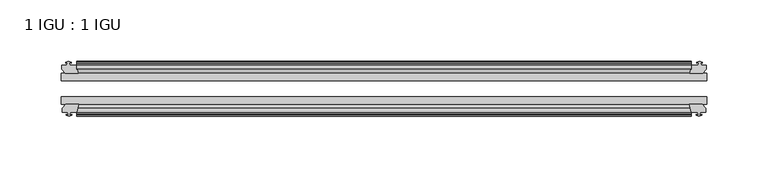
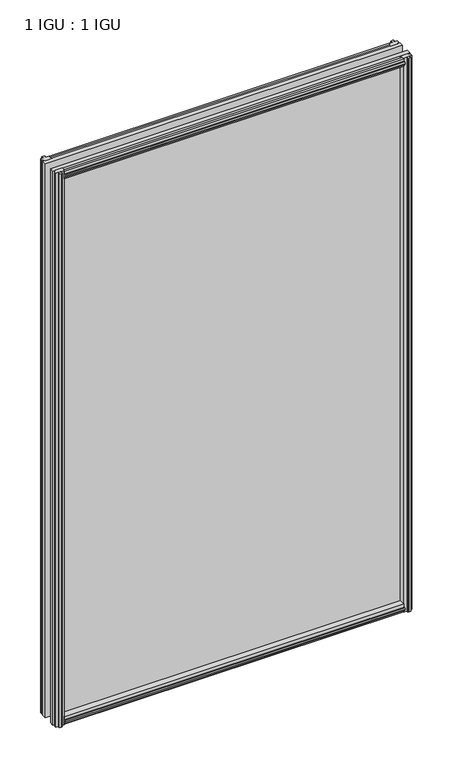
"""IFC4 building model written with IfcOpenShell, lengths in millimetres: plate geometry, 1 IGU : 1 IGU."""

import ifcopenshell
import ifcopenshell.guid

model = None  # the IFC model being written
_history = None  # IfcOwnerHistory: only IFC2X3 demands one
_inside = {}  # id of a spatial element -> (the spatial element, [elements in it])
_under = {}  # id of a project, library or spatial element -> (it, [spatial elements below it])
_declared = {}  # id of a project -> (the project, [libraries it declares])
_typed = {}  # id of a type object -> (the type object, [elements of that type])
_made_of = {}  # id of a material, layer set ... -> (it, [elements and type objects made of it])


def new_model(schema):
    """Start an empty IFC model of exactly this schema.

    Asked for "IFC4X3", IfcOpenShell would pick the latest addendum, in which some entities
    have other attributes; the version numbers below select the first issue.
    IFC2X3 requires an IfcOwnerHistory on every rooted entity: one is made here for all.
    """
    global model, _history
    if schema == "IFC4X3":
        model = ifcopenshell.file(schema_version=(4, 3, 0, 0))
    else:
        model = ifcopenshell.file(schema=schema)
    _inside.clear()
    _under.clear()
    _declared.clear()
    _typed.clear()
    _made_of.clear()
    _history = None
    if model.schema == "IFC2X3":
        org = make("IfcOrganization", Name="unknown")
        user = make(
            "IfcPersonAndOrganization",
            ThePerson=make("IfcPerson", FamilyName="unknown"),
            TheOrganization=org,
        )
        app = make(
            "IfcApplication",
            ApplicationDeveloper=org,
            Version="unknown",
            ApplicationFullName="unknown",
            ApplicationIdentifier="unknown",
        )
        _history = make(
            "IfcOwnerHistory",
            OwningUser=user,
            OwningApplication=app,
            ChangeAction="ADDED",
            CreationDate=0,
        )
    return model


def make(cls, **values):
    """One entity of the class cls with the attributes given. An attribute that is None is left unset."""
    return model.create_entity(
        cls, **{name: value for name, value in values.items() if value is not None}
    )


def rooted(cls, **values):
    """An entity with a GlobalId (a new one), such as an element, a storey or a relation."""
    return make(cls, GlobalId=ifcopenshell.guid.new(), OwnerHistory=_history, **values)


def si_unit(unit_type, name, prefix=None):
    """IfcSIUnit, for example si_unit("LENGTHUNIT", "METRE", prefix="MILLI")."""
    return make("IfcSIUnit", UnitType=unit_type, Prefix=prefix, Name=name)


def assignment(units):
    """IfcUnitAssignment: the units of a project."""
    return None if units is None else make("IfcUnitAssignment", Units=units)


def point(xyz):
    """IfcCartesianPoint."""
    return None if xyz is None else make("IfcCartesianPoint", Coordinates=xyz)


def direction(xyz):
    """IfcDirection."""
    return None if xyz is None else make("IfcDirection", DirectionRatios=xyz)


def frame(location, z_axis=None, x_axis=None):
    """IfcAxis2Placement3D, a coordinate frame: its origin and axes. An axis left out is left unset."""
    return make(
        "IfcAxis2Placement3D",
        Location=point(location),
        Axis=direction(z_axis),
        RefDirection=direction(x_axis),
    )


def origin():
    """The frame at (0, 0, 0) with its axes left unset."""
    return frame((0.0, 0.0, 0.0))


def place(relative_to, where):
    """IfcLocalPlacement: puts the frame where relative to a parent placement (None: the world)."""
    return make(
        "IfcLocalPlacement", PlacementRelTo=relative_to, RelativePlacement=where
    )


def context(
    kind, dimensions, precision=None, world=None, true_north=None, identifier=None
):
    """IfcGeometricRepresentationContext, for example the 3D "Model" context."""
    return make(
        "IfcGeometricRepresentationContext",
        ContextIdentifier=identifier,
        ContextType=kind,
        CoordinateSpaceDimension=dimensions,
        Precision=precision,
        WorldCoordinateSystem=world,
        TrueNorth=true_north,
    )


def project(units=None, contexts=None):
    """IfcProject with its units and contexts."""
    return rooted(
        "IfcProject",
        Name="project",
        RepresentationContexts=contexts,
        UnitsInContext=assignment(units),
    )


def spatial(cls, under=None, at=None, **own):
    """A site, building, storey or space (cls), placed at a placement, below another one or the project."""
    s = rooted(cls, ObjectPlacement=at, **own)
    if under is not None:
        _under.setdefault(under.id(), (under, []))[1].append(s)
    return s


def polyline(points):
    """IfcPolyline through the points."""
    return make("IfcPolyline", Points=[point(p) for p in points])


def outline(outer, holes=None, kind="AREA"):
    """IfcArbitraryClosedProfileDef: a profile drawn as a closed curve; with holes, ...WithVoids."""
    if holes is None:
        return make("IfcArbitraryClosedProfileDef", ProfileType=kind, OuterCurve=outer)
    return make(
        "IfcArbitraryProfileDefWithVoids",
        ProfileType=kind,
        OuterCurve=outer,
        InnerCurves=holes,
    )


def extrude(swept, where, along, depth):
    """IfcExtrudedAreaSolid: the profile swept, set in the frame where, extruded along a direction by depth."""
    return make(
        "IfcExtrudedAreaSolid",
        SweptArea=swept,
        Position=where,
        ExtrudedDirection=direction(along),
        Depth=depth,
    )


def shape(context_of_items, identifier, shape_type, items):
    """IfcShapeRepresentation: the items that make up one representation, for example the "Body"."""
    return make(
        "IfcShapeRepresentation",
        ContextOfItems=context_of_items,
        RepresentationIdentifier=identifier,
        RepresentationType=shape_type,
        Items=items,
    )


def source(mapping_origin, context_of_items, identifier, shape_type, items):
    """IfcRepresentationMap: a shape defined once, which mapped items show again and again."""
    return make(
        "IfcRepresentationMap",
        MappingOrigin=mapping_origin,
        MappedRepresentation=shape(context_of_items, identifier, shape_type, items),
    )


def transform(
    local_origin,
    x_axis=None,
    y_axis=None,
    z_axis=None,
    scale=None,
    scale2=None,
    scale3=None,
    uniform=True,
):
    """IfcCartesianTransformationOperator3D, or its non-uniform kind. x_axis, y_axis, z_axis: its Axis1, 2, 3."""
    if uniform:
        return make(
            "IfcCartesianTransformationOperator3D",
            Axis1=direction(x_axis),
            Axis2=direction(y_axis),
            LocalOrigin=point(local_origin),
            Scale=scale,
            Axis3=direction(z_axis),
        )
    return make(
        "IfcCartesianTransformationOperator3DnonUniform",
        Axis1=direction(x_axis),
        Axis2=direction(y_axis),
        LocalOrigin=point(local_origin),
        Scale=scale,
        Axis3=direction(z_axis),
        Scale2=scale2,
        Scale3=scale3,
    )


def mapped(mapping_source, mapping_target):
    """IfcMappedItem: shows the shape of a source again, moved by a transform."""
    return make(
        "IfcMappedItem", MappingSource=mapping_source, MappingTarget=mapping_target
    )


def made_of(thing, what):
    """Note that an element or type object is made of a material, layer set ...; save() writes the relation."""
    if what is not None:
        _made_of.setdefault(what.id(), (what, []))[1].append(thing)
    return thing


def element(
    cls,
    number,
    at=None,
    inside=None,
    cuts=None,
    type_object=None,
    material=None,
    context=None,
    identifier="Body",
    shape_type=None,
    held_by="IfcProductDefinitionShape",
    body=None,
    shapes=None,
    **own,
):
    """One element of the class cls, such as IfcWall. Its Tag is "e" and its number.

    at: its placement. inside: the storey or other place that contains it. cuts: it is an
    opening in that element (IfcRelVoidsElement). A single representation is given by context,
    identifier, shape_type and body (its items); several are given by shapes. held_by: the class
    of the entity that holds the representations. save() writes the other relations.
    """
    e = rooted(cls, Tag="e%d" % number, ObjectPlacement=at, **own)
    if body is not None:
        shapes = [shape(context, identifier, shape_type, body)]
    if shapes is not None:
        e.Representation = make(held_by, Representations=shapes)
    if inside is not None:
        _inside.setdefault(inside.id(), (inside, []))[1].append(e)
    if cuts is not None:
        rooted(
            "IfcRelVoidsElement", RelatingBuildingElement=cuts, RelatedOpeningElement=e
        )
    if type_object is not None:
        _typed.setdefault(type_object.id(), (type_object, []))[1].append(e)
    return made_of(e, material)


def aggregate(whole, parts):
    """IfcRelAggregates: a whole, such as a stair, and the parts it consists of."""
    return rooted("IfcRelAggregates", RelatingObject=whole, RelatedObjects=parts)


def save(model, path):
    """Write the relations noted so far, then the file.

    IfcRelAggregates (storeys below a building ...), IfcRelContainedInSpatialStructure (elements
    in a storey), IfcRelDefinesByType, IfcRelAssociatesMaterial and IfcRelDeclares: one each for
    every whole, place, type object, material and project.
    """
    for whole, parts in _under.values():
        aggregate(whole, parts)
    for where, things in _inside.values():
        rooted(
            "IfcRelContainedInSpatialStructure",
            RelatedElements=things,
            RelatingStructure=where,
        )
    for kind, things in _typed.values():
        rooted("IfcRelDefinesByType", RelatedObjects=things, RelatingType=kind)
    for what, things in _made_of.values():
        rooted("IfcRelAssociatesMaterial", RelatedObjects=things, RelatingMaterial=what)
    for by, libraries in _declared.values():
        rooted("IfcRelDeclares", RelatingContext=by, RelatedDefinitions=libraries)
    model.write(path)


def plate_1_igu_1_igu_49bb7837(model_context):
    return source(origin(), model_context, "Body", "SweptSolid", [
        extrude(outline(polyline([(-25.8960937, 1.1970181), (-19.5460937, -0.5207), (-19.5460937, -5.7277), (-17.1658968, -6.1087), (-17.62583, -4.6931709), (-16.8246158, -4.6931709), (-16.1170937, -6.8707), (-16.8246158, -9.0482291), (-17.62583, -9.0482291), (-17.1658968, -7.6327), (-19.5460937, -8.0137), (-19.5460937, -12.4587), (-22.4924937, -12.4587), (-25.8960937, -9.6243578), (-25.8960937, 1.1970181)])), frame((-250.8249997, 0.0, 0.0), z_axis=(1.0, 0.0, 0.0), x_axis=(0.0, 1.0, 0.0)), (0.0, 0.0, 1.0), 501.6499994),
        extrude(outline(polyline([(-51.2960937, 1.7177181), (-51.2960937, -9.1036578), (-54.6996937, -11.938), (-57.6460937, -11.938), (-57.6460937, -7.493), (-60.0262907, -7.112), (-59.5663575, -8.5275291), (-60.3675717, -8.5275291), (-61.0750937, -6.35), (-60.3675717, -4.1724709), (-59.5663575, -4.1724709), (-60.0262907, -5.588), (-57.6460937, -5.207), (-57.6460937, 0.0), (-51.2960937, 1.7177181)])), frame((-250.8249997, 0.0, 0.0), z_axis=(1.0, 0.0, 0.0), x_axis=(0.0, 1.0, 0.0)), (0.0, 0.0, 1.0), 501.6499994),
        extrude(outline(polyline([(-57.6460937, 850.138), (-54.6996937, 850.138), (-51.2960937, 847.3036578), (-51.2960937, 836.4822819), (-57.6460937, 838.2), (-57.6460937, 843.407), (-60.0262907, 843.788), (-59.5663575, 842.3724709), (-60.3675717, 842.3724709), (-61.0750937, 844.55), (-60.3675717, 846.727529), (-59.5663575, 846.727529), (-60.0262907, 845.312), (-57.6460937, 845.693), (-57.6460937, 850.138)])), frame((-250.8249997, 0.0, 0.0), z_axis=(1.0, 0.0, 0.0), x_axis=(0.0, 1.0, 0.0)), (0.0, 0.0, 1.0), 501.6499994),
        extrude(outline(polyline([(-19.5460937, 850.6587), (-19.5460937, 846.2137), (-17.1658968, 845.8327), (-17.62583, 847.248229), (-16.8246158, 847.248229), (-16.1170937, 845.0707), (-16.8246158, 842.8931709), (-17.62583, 842.8931709), (-17.1658968, 844.3087), (-19.5460937, 843.9277), (-19.5460937, 838.7207), (-25.8960937, 837.0029819), (-25.8960937, 847.8243578), (-22.4924937, 850.6587), (-19.5460937, 850.6587)])), frame((-250.8249997, 0.0, 0.0), z_axis=(1.0, 0.0, 0.0), x_axis=(0.0, 1.0, 0.0)), (0.0, 0.0, 1.0), 501.6499994),
        extrude(outline(polyline([(-257.6956997, -16.1170937), (-255.5181707, -16.8246158), (-255.5181707, -17.62583), (-256.9336997, -17.1658968), (-256.5526997, -19.5460937), (-251.3456997, -19.5460937), (-249.6279816, -25.8960937), (-260.4493575, -25.8960937), (-263.2836997, -22.4924937), (-263.2836997, -19.5460937), (-258.8386997, -19.5460937), (-258.4576997, -17.1658968), (-259.8732288, -17.62583), (-259.8732288, -16.8246158), (-257.6956997, -16.1170937)])), frame((0.0, 0.0, -12.7), z_axis=(0.0, 0.0, 1.0), x_axis=(1.0, 0.0, 0.0)), (0.0, 0.0, 1.0), 863.6),
        extrude(outline(polyline([(-257.1749997, -61.0750938), (-259.3525288, -60.3675717), (-259.3525288, -59.5663575), (-257.9369997, -60.0262907), (-258.3179997, -57.6460938), (-262.7629997, -57.6460938), (-262.7629997, -54.6996938), (-259.9286575, -51.2960937), (-249.1072816, -51.2960937), (-250.8249997, -57.6460938), (-256.0319997, -57.6460938), (-256.4129997, -60.0262907), (-254.9974707, -59.5663575), (-254.9974707, -60.3675717), (-257.1749997, -61.0750938)])), frame((0.0, 0.0, -12.7), z_axis=(0.0, 0.0, 1.0), x_axis=(1.0, 0.0, 0.0)), (0.0, 0.0, 1.0), 863.6),
        extrude(outline(polyline([(256.5526997, -19.5460937), (256.9336997, -17.1658968), (255.5181707, -17.62583), (255.5181707, -16.8246158), (257.6956997, -16.1170937), (259.8732288, -16.8246158), (259.8732288, -17.62583), (258.4576997, -17.1658968), (258.8386997, -19.5460937), (263.2836997, -19.5460937), (263.2836997, -22.4924937), (260.4493575, -25.8960937), (249.6279816, -25.8960937), (251.3456997, -19.5460937), (256.5526997, -19.5460937)])), frame((0.0, 0.0, -12.7), z_axis=(0.0, 0.0, 1.0), x_axis=(1.0, 0.0, 0.0)), (0.0, 0.0, 1.0), 863.6),
        extrude(outline(polyline([(259.9286575, -51.2960937), (262.7629997, -54.6996937), (262.7629997, -57.6460937), (258.3179997, -57.6460937), (257.9369997, -60.0262907), (259.3525288, -59.5663575), (259.3525288, -60.3675717), (257.1749997, -61.0750937), (254.9974707, -60.3675717), (254.9974707, -59.5663575), (256.4129997, -60.0262907), (256.0319997, -57.6460937), (250.8249997, -57.6460937), (249.1072816, -51.2960937), (259.9286575, -51.2960937)])), frame((0.0, 0.0, -12.7), z_axis=(0.0, 0.0, 1.0), x_axis=(1.0, 0.0, 0.0)), (0.0, 0.0, 1.0), 863.6),
        extrude(outline(polyline([(-263.5249997, -25.8960937), (263.5249997, -25.8960937), (263.5249997, -32.2460937), (-263.5249997, -32.2460937), (-263.5249997, -25.8960937)])), frame((0.0, 0.0, -12.7), z_axis=(0.0, 0.0, 1.0), x_axis=(1.0, 0.0, 0.0)), (0.0, 0.0, 1.0), 863.6),
        extrude(outline(polyline([(263.5249997, -45.2686737), (263.5249997, -51.2960937), (-263.5249997, -51.2960937), (-263.5249997, -45.2686737), (263.5249997, -45.2686737)])), frame((0.0, 0.0, -12.7), z_axis=(0.0, 0.0, 1.0), x_axis=(1.0, 0.0, 0.0)), (0.0, 0.0, 1.0), 863.6),
    ])


if __name__ == "__main__":
    model = new_model("IFC4")
    model_context = context("Model", 3, world=origin())
    ifc_project = project(units=[si_unit("LENGTHUNIT", "METRE", prefix="MILLI")], contexts=[model_context])
    site = spatial("IfcSite", under=ifc_project)
    building = spatial("IfcBuilding", under=site)
    placement = place(None, origin())
    plate_1_igu_1_igu_shape = plate_1_igu_1_igu_49bb7837(model_context)
    element("IfcPlate", 1, ObjectType="1 IGU : 1 IGU", at=placement, inside=building, context=model_context, shape_type="MappedRepresentation", body=[
        mapped(plate_1_igu_1_igu_shape, transform((0.0, 0.0, 0.0), x_axis=(1.0, 0.0, 0.0), y_axis=(0.0, 1.0, 0.0), z_axis=(0.0, 0.0, 1.0))),
    ])
    save(model, "model.ifc")
